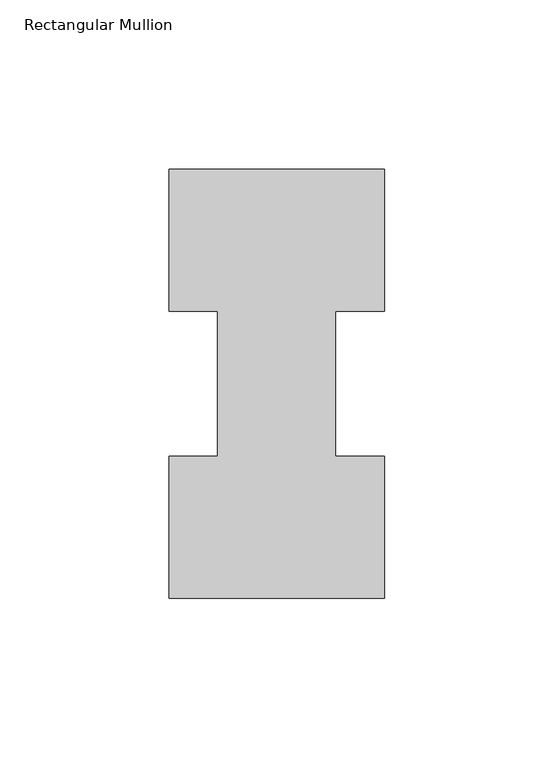
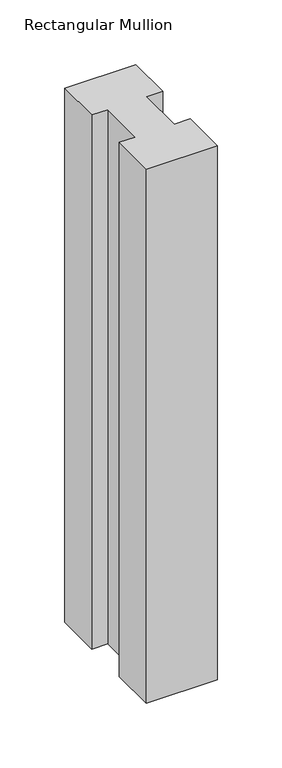
"""IFC4 building model written with IfcOpenShell, lengths in millimetres: member geometry, Rectangular Mullion."""

from ifc_helpers import new_model, si_unit, frame, origin, place, context, project, spatial, polyline, outline, extrude, source, transform, mapped, element, save


def rectangular_mullion_277cf1f4(model_context):
    return source(origin(), model_context, "Body", "SweptSolid", [
        extrude(outline(polyline([(-63.5, -0.0373062), (-63.5, 41.7837937), (-49.2125, 41.7837937), (-49.2125, 84.6335938), (-63.5, 84.6335938), (-63.5, 126.4546937), (0.0, 126.4546938), (0.0, 84.6335938), (-14.4999808, 84.6335938), (-14.4999808, 41.7837937), (0.0, 41.7837937), (0.0, -0.0373062), (-63.5, -0.0373062)])), frame((0.0, 0.0, -504.825), z_axis=(0.0, 0.0, 1.0), x_axis=(1.0, 0.0, 0.0)), (0.0, 0.0, 1.0), 504.825),
    ])


if __name__ == "__main__":
    model = new_model("IFC4")
    model_context = context("Model", 3, world=origin())
    ifc_project = project(units=[si_unit("LENGTHUNIT", "METRE", prefix="MILLI")], contexts=[model_context])
    site = spatial("IfcSite", under=ifc_project)
    building = spatial("IfcBuilding", under=site)
    placement = place(None, origin())
    rectangular_mullion_shape = rectangular_mullion_277cf1f4(model_context)
    element("IfcMember", 1, ObjectType="Rectangular Mullion", at=placement, inside=building, context=model_context, shape_type="MappedRepresentation", body=[
        mapped(rectangular_mullion_shape, transform((0.0, 0.0, 0.0), x_axis=(1.0, 0.0, 0.0), y_axis=(0.0, 1.0, 0.0), z_axis=(0.0, 0.0, 1.0))),
    ])
    save(model, "model.ifc")
